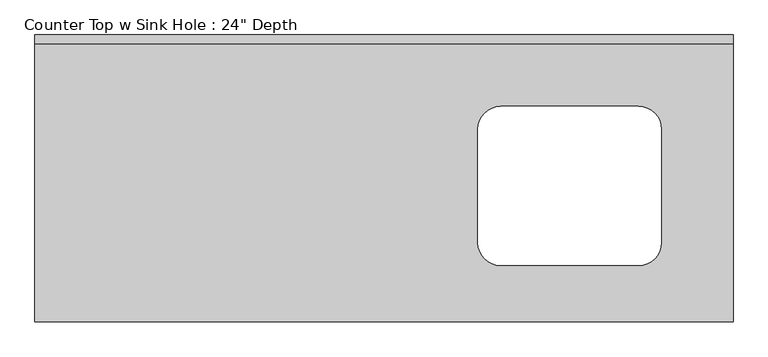
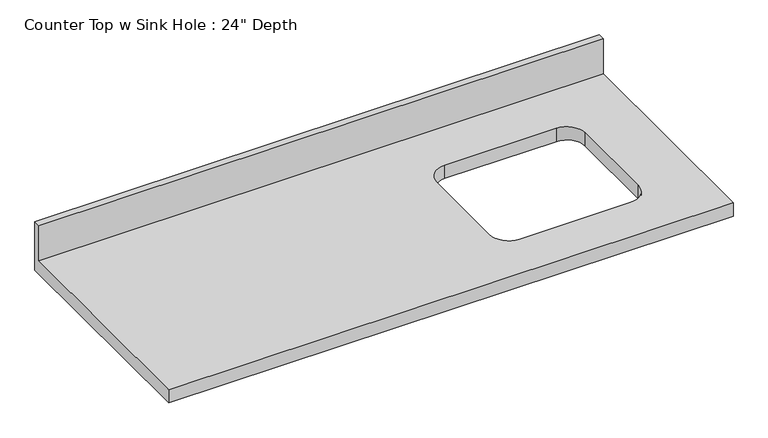
"""IFC4 building model written with IfcOpenShell, lengths in millimetres: furniture geometry."""

from ifc_helpers import new_model, si_unit, frame, origin, place, context, project, spatial, polyline, circle_curve, source, transform, mapped, element, save
from ifc_brep_helpers import plane_surface, revolved_surface, advanced_brep


def furniture_8e37dcee(model_context):
    return source(origin(), model_context, "Body", "AdvancedBrep", [
        advanced_brep(
        [(-1200.4622951, -635.0, 914.4), (345.7627049, -635.0, 914.4), (345.7627049, -19.05, 914.4), (-1200.4622951, -19.05, 914.4), (-168.5872951, -158.1017627, 914.4), (136.2127049, -158.1017627, 914.4), (187.0127049, -208.9017627, 914.4), (187.0127049, -459.8540342, 914.4), (136.2127049, -510.6540342, 914.4), (-168.5872951, -510.6540342, 914.4), (-219.3872951, -459.8540342, 914.4), (-219.3872951, -208.9017627, 914.4), (345.7627049, 0.0, 876.3), (345.7627049, -635.0, 876.3), (-1200.4622951, -635.0, 876.3), (-1200.4622951, 0.0, 876.3), (136.2127049, -158.1017627, 876.3), (-168.5872951, -158.1017627, 876.3), (-219.3872951, -208.9017627, 876.3), (-219.3872951, -459.8540342, 876.3), (-168.5872951, -510.6540342, 876.3), (136.2127049, -510.6540342, 876.3), (187.0127049, -459.8540342, 876.3), (187.0127049, -208.9017627, 876.3), (-1200.4622951, 0.0, 1016.0), (345.7627049, 0.0, 1016.0), (-1200.4622951, -19.05, 1016.0), (345.7627049, -19.05, 1016.0)],
        [
            (0, 1),
            (1, 2),
            (2, 3),
            (3, 0),
            (4, 5),
            (5, 6, circle_curve(frame((136.2127049, -208.9017627, 914.4), z_axis=(0.0, 0.0, -1.0), x_axis=(1.0, 0.0, 0.0)), 50.8)),
            (6, 7),
            (7, 8, circle_curve(frame((136.2127049, -459.8540342, 914.4), z_axis=(0.0, 0.0, -1.0), x_axis=(1.0, 0.0, 0.0)), 50.8)),
            (8, 9),
            (9, 10, circle_curve(frame((-168.5872951, -459.8540342, 914.4), z_axis=(0.0, 0.0, -1.0), x_axis=(1.0, 0.0, 0.0)), 50.8)),
            (10, 11),
            (11, 4, circle_curve(frame((-168.5872951, -208.9017627, 914.4), z_axis=(0.0, 0.0, -1.0), x_axis=(1.0, 0.0, 0.0)), 50.8)),
            (12, 13),
            (13, 14),
            (14, 15),
            (15, 12),
            (16, 17),
            (17, 18, circle_curve(frame((-168.5872951, -208.9017627, 876.3), z_axis=(0.0, 0.0, 1.0), x_axis=(1.0, 0.0, 0.0)), 50.8)),
            (18, 19),
            (19, 20, circle_curve(frame((-168.5872951, -459.8540342, 876.3), z_axis=(0.0, 0.0, 1.0), x_axis=(1.0, 0.0, 0.0)), 50.8)),
            (20, 21),
            (21, 22, circle_curve(frame((136.2127049, -459.8540342, 876.3), z_axis=(0.0, 0.0, 1.0), x_axis=(1.0, 0.0, 0.0)), 50.8)),
            (22, 23),
            (23, 16, circle_curve(frame((136.2127049, -208.9017627, 876.3), z_axis=(0.0, 0.0, 1.0), x_axis=(1.0, 0.0, 0.0)), 50.8)),
            (15, 24),
            (24, 25),
            (25, 12),
            (14, 0),
            (3, 26),
            (26, 24),
            (13, 1),
            (25, 27),
            (27, 2),
            (26, 27),
            (4, 17),
            (16, 5),
            (11, 18),
            (10, 19),
            (9, 20),
            (8, 21),
            (7, 22),
            (6, 23),
        ],
        [
            plane_surface(frame((-1200.4622951, 0.0, 914.4), z_axis=(0.0, 0.0, 1.0), x_axis=(-1.0, 0.0, 0.0))),
            plane_surface(frame((-1200.4622951, 0.0, 876.3), z_axis=(0.0, 0.0, -1.0), x_axis=(1.0, 0.0, 0.0))),
            plane_surface(frame((345.7627049, 0.0, 914.4), z_axis=(0.0, 1.0, 0.0), x_axis=(0.0, 0.0, -1.0))),
            plane_surface(frame((-1200.4622951, 0.0, 914.4), z_axis=(-1.0, 0.0, 0.0), x_axis=(0.0, 0.0, -1.0))),
            plane_surface(frame((-1200.4622951, -635.0, 914.4), z_axis=(0.0, -1.0, 0.0), x_axis=(0.0, 0.0, -1.0))),
            plane_surface(frame((345.7627049, -635.0, 914.4), z_axis=(1.0, 0.0, 0.0), x_axis=(0.0, 0.0, -1.0))),
            plane_surface(frame((-1200.4622951, 0.0, 1016.0), z_axis=(0.0, 0.0, 1.0), x_axis=(0.0, -1.0, 0.0))),
            plane_surface(frame((-1200.4622951, -19.05, 1016.0), z_axis=(0.0, -1.0, 0.0), x_axis=(0.0, 0.0, -1.0))),
            plane_surface(frame((136.2127049, -158.1017627, 914.4), z_axis=(0.0, -1.0, 0.0), x_axis=(0.0, 0.0, -1.0))),
            revolved_surface(polyline([(-117.78729510000001, -208.9017627, 914.4), (-117.78729510000001, -208.9017627, 876.3)]), (-168.5872951, -208.9017627, 876.3), (0.0, 0.0, 1.0)),
            plane_surface(frame((-219.3872951, -208.9017627, 914.4), z_axis=(1.0, 0.0, 0.0), x_axis=(0.0, 0.0, -1.0))),
            revolved_surface(polyline([(-117.78729510000001, -459.8540342, 914.4), (-117.78729510000001, -459.8540342, 876.3)]), (-168.5872951, -459.8540342, 876.3), (0.0, 0.0, 1.0)),
            plane_surface(frame((-168.5872951, -510.6540342, 914.4), z_axis=(0.0, 1.0, 0.0), x_axis=(0.0, 0.0, -1.0))),
            revolved_surface(polyline([(187.01270490000002, -459.8540342, 914.4), (187.01270490000002, -459.8540342, 876.3)]), (136.2127049, -459.8540342, 876.3), (0.0, 0.0, 1.0)),
            plane_surface(frame((187.0127049, -459.8540342, 914.4), z_axis=(-1.0, 0.0, 0.0), x_axis=(0.0, 0.0, -1.0))),
            revolved_surface(polyline([(187.01270490000002, -208.9017627, 914.4), (187.01270490000002, -208.9017627, 876.3)]), (136.2127049, -208.9017627, 876.3), (0.0, 0.0, 1.0)),
        ],
        [
            (0, [[1, 2, 3, 4], [5, 6, 7, 8, 9, 10, 11, 12]]),
            (1, [[13, 14, 15, 16], [17, 18, 19, 20, 21, 22, 23, 24]]),
            (2, [[-16, 25, 26, 27]]),
            (3, [[-15, 28, -4, 29, 30, -25]]),
            (4, [[-1, -28, -14, 31]]),
            (5, [[-13, -27, 32, 33, -2, -31]]),
            (6, [[-30, 34, -32, -26]]),
            (7, [[-34, -29, -3, -33]]),
            (8, [[35, -17, 36, -5]]),
            (9, [[-35, -12, 37, -18]]),
            (10, [[-37, -11, 38, -19]]),
            (11, [[-38, -10, 39, -20]]),
            (12, [[-39, -9, 40, -21]]),
            (13, [[-40, -8, 41, -22]]),
            (14, [[-41, -7, 42, -23]]),
            (15, [[-36, -24, -42, -6]]),
        ],
    ),
    ])


if __name__ == "__main__":
    model = new_model("IFC4")
    model_context = context("Model", 3, world=origin())
    ifc_project = project(units=[si_unit("LENGTHUNIT", "METRE", prefix="MILLI")], contexts=[model_context])
    site = spatial("IfcSite", under=ifc_project)
    building = spatial("IfcBuilding", under=site)
    placement = place(None, origin())
    furniture_shape = furniture_8e37dcee(model_context)
    element("IfcFurniture", 1, ObjectType="Counter Top w Sink Hole : 24\" Depth", at=placement, inside=building, context=model_context, shape_type="MappedRepresentation", body=[
        mapped(furniture_shape, transform((0.0, 0.0, 0.0), x_axis=(1.0, 0.0, 0.0), y_axis=(0.0, 1.0, 0.0), z_axis=(0.0, 0.0, 1.0))),
    ])
    save(model, "model.ifc")
